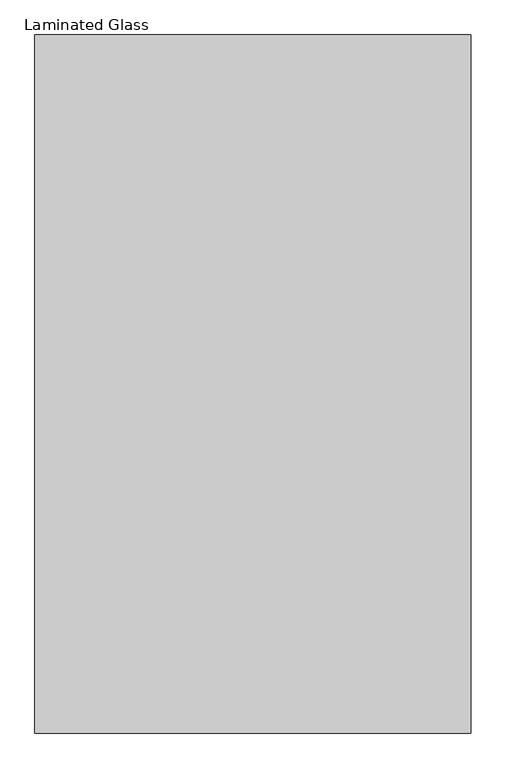
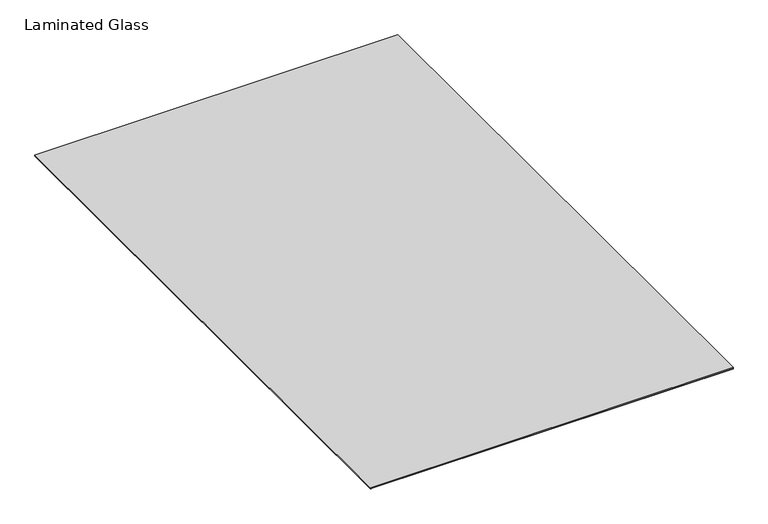
"""IFC4 building model written with IfcOpenShell, lengths in millimetres: proxy geometry, Laminated Glass."""

from ifc_helpers import new_model, si_unit, frame, origin, origin_with_axes, place, context, project, spatial, polyline, outline, extrude, source, transform, mapped, element, save


def laminated_glass_dc94014f(model_context):
    return source(origin(), model_context, "Body", "SweptSolid", [
        extrude(outline(polyline([(762.0, -1219.2), (-762.0, -1219.2), (-762.0, 1219.2), (762.0, 1219.2), (762.0, -1219.2)])), frame((0.0, 0.0, 1.984375), z_axis=(0.0, 0.0, 1.0), x_axis=(1.0, 0.0, 0.0)), (0.0, 0.0, 1.0), 3.96875),
        extrude(outline(polyline([(762.0, 1219.2), (762.0, -1219.2), (-762.0, -1219.2), (-762.0, 1219.2), (762.0, 1219.2)])), origin_with_axes(), (0.0, 0.0, 1.0), 1.984375),
    ])


if __name__ == "__main__":
    model = new_model("IFC4")
    model_context = context("Model", 3, world=origin())
    ifc_project = project(units=[si_unit("LENGTHUNIT", "METRE", prefix="MILLI")], contexts=[model_context])
    site = spatial("IfcSite", under=ifc_project)
    building = spatial("IfcBuilding", under=site)
    placement = place(None, origin())
    laminated_glass_shape = laminated_glass_dc94014f(model_context)
    element("IfcBuildingElementProxy", 1, Name="Laminated Glass", ObjectType="Laminated Glass", at=placement, inside=building, context=model_context, shape_type="MappedRepresentation", body=[
        mapped(laminated_glass_shape, transform((0.0, 0.0, 0.0), x_axis=(1.0, 0.0, 0.0), y_axis=(0.0, 1.0, 0.0), z_axis=(0.0, 0.0, 1.0))),
    ])
    save(model, "model.ifc")
